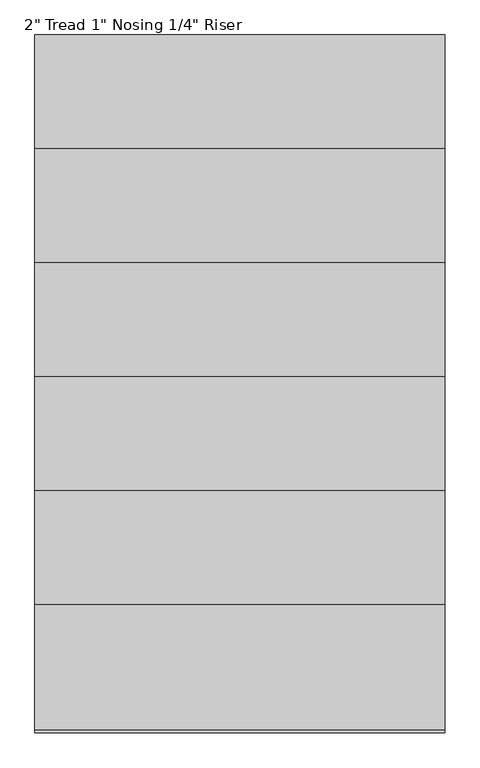
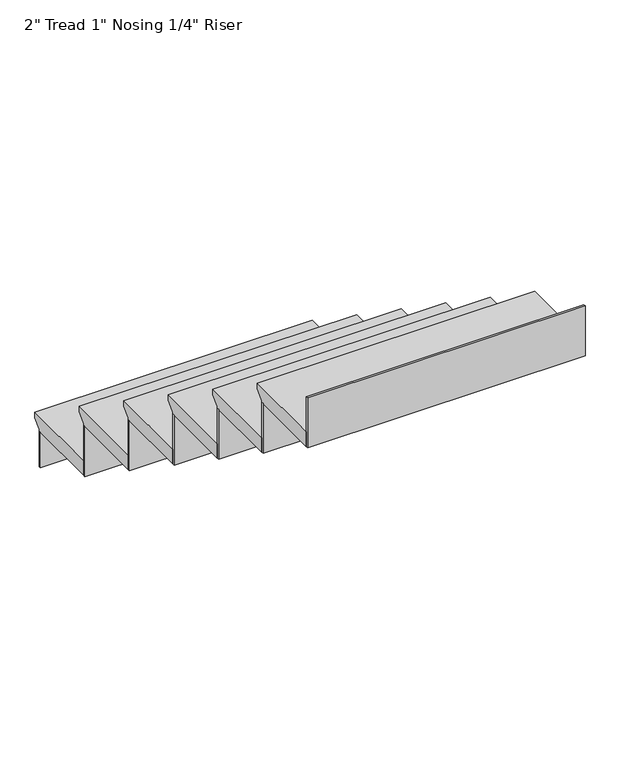
"""IFC4 building model written with IfcOpenShell, lengths in millimetres: stair flight geometry."""

from ifc_helpers import new_model, si_unit, frame, origin, place, context, project, spatial, polyline, outline, extrude, source, transform, mapped, element, save


def stair_flight_161c1767(model_context):
    return source(origin(), model_context, "Body", "SweptSolid", [
        extrude(outline(polyline([(2690.5687869, 3831.7714286), (2969.9687869, 3831.7714286), (2969.9687869, 3812.7214286), (2944.5687869, 3787.3214286), (2944.5687869, 3780.9714286), (2690.5687869, 3780.9714286), (2690.5687869, 3831.7714286)])), frame((-9148.2754876, 0.0, 0.0), z_axis=(1.0, 0.0, 0.0), x_axis=(0.0, 1.0, 0.0)), (0.0, 0.0, 1.0), 914.4),
        extrude(outline(polyline([(-9148.2754876, 2938.2187869), (-9148.2754876, 2944.5687869), (-8233.8754876, 2944.5687869), (-8233.8754876, 2938.2187869), (-9148.2754876, 2938.2187869)])), frame((0.0, 0.0, 3657.6), z_axis=(0.0, 0.0, 1.0), x_axis=(1.0, 0.0, 0.0)), (0.0, 0.0, 1.0), 123.3714286),
        extrude(outline(polyline([(-9148.2754876, 2684.2187869), (-9148.2754876, 2690.5687869), (-8233.8754876, 2690.5687869), (-8233.8754876, 2684.2187869), (-9148.2754876, 2684.2187869)])), frame((0.0, 0.0, 3780.9714286), z_axis=(0.0, 0.0, 1.0), x_axis=(1.0, 0.0, 0.0)), (0.0, 0.0, 1.0), 174.1714286),
        extrude(outline(polyline([(2436.5687869, 4005.9428571), (2715.9687869, 4005.9428571), (2715.9687869, 3986.8928571), (2690.5687869, 3961.4928571), (2690.5687869, 3955.1428571), (2436.5687869, 3955.1428571), (2436.5687869, 4005.9428571)])), frame((-9148.2754876, 0.0, 0.0), z_axis=(1.0, 0.0, 0.0), x_axis=(0.0, 1.0, 0.0)), (0.0, 0.0, 1.0), 914.4),
        extrude(outline(polyline([(-9148.2754876, 2430.2187869), (-9148.2754876, 2436.5687869), (-8233.8754876, 2436.5687869), (-8233.8754876, 2430.2187869), (-9148.2754876, 2430.2187869)])), frame((0.0, 0.0, 3955.1428571), z_axis=(0.0, 0.0, 1.0), x_axis=(1.0, 0.0, 0.0)), (0.0, 0.0, 1.0), 174.1714286),
        extrude(outline(polyline([(2182.5687869, 4180.1142857), (2461.9687869, 4180.1142857), (2461.9687869, 4161.0642857), (2436.5687869, 4135.6642857), (2436.5687869, 4129.3142857), (2182.5687869, 4129.3142857), (2182.5687869, 4180.1142857)])), frame((-9148.2754876, 0.0, 0.0), z_axis=(1.0, 0.0, 0.0), x_axis=(0.0, 1.0, 0.0)), (0.0, 0.0, 1.0), 914.4),
        extrude(outline(polyline([(-9148.2754876, 2176.2187869), (-9148.2754876, 2182.5687869), (-8233.8754876, 2182.5687869), (-8233.8754876, 2176.2187869), (-9148.2754876, 2176.2187869)])), frame((0.0, 0.0, 4129.3142857), z_axis=(0.0, 0.0, 1.0), x_axis=(1.0, 0.0, 0.0)), (0.0, 0.0, 1.0), 174.1714286),
        extrude(outline(polyline([(1928.5687869, 4354.2857143), (2207.9687869, 4354.2857143), (2207.9687869, 4335.2357143), (2182.5687869, 4309.8357143), (2182.5687869, 4303.4857143), (1928.5687869, 4303.4857143), (1928.5687869, 4354.2857143)])), frame((-9148.2754876, 0.0, 0.0), z_axis=(1.0, 0.0, 0.0), x_axis=(0.0, 1.0, 0.0)), (0.0, 0.0, 1.0), 914.4),
        extrude(outline(polyline([(-9148.2754876, 1922.2187869), (-9148.2754876, 1928.5687869), (-8233.8754876, 1928.5687869), (-8233.8754876, 1922.2187869), (-9148.2754876, 1922.2187869)])), frame((0.0, 0.0, 4303.4857143), z_axis=(0.0, 0.0, 1.0), x_axis=(1.0, 0.0, 0.0)), (0.0, 0.0, 1.0), 174.1714286),
        extrude(outline(polyline([(1674.5687869, 4528.4571429), (1953.9687869, 4528.4571429), (1953.9687869, 4509.4071429), (1928.5687869, 4484.0071429), (1928.5687869, 4477.6571429), (1674.5687869, 4477.6571429), (1674.5687869, 4528.4571429)])), frame((-9148.2754876, 0.0, 0.0), z_axis=(1.0, 0.0, 0.0), x_axis=(0.0, 1.0, 0.0)), (0.0, 0.0, 1.0), 914.4),
        extrude(outline(polyline([(-9148.2754876, 1668.2187869), (-9148.2754876, 1674.5687869), (-8233.8754876, 1674.5687869), (-8233.8754876, 1668.2187869), (-9148.2754876, 1668.2187869)])), frame((0.0, 0.0, 4477.6571429), z_axis=(0.0, 0.0, 1.0), x_axis=(1.0, 0.0, 0.0)), (0.0, 0.0, 1.0), 174.1714286),
        extrude(outline(polyline([(1420.5687869, 4702.6285714), (1699.9687869, 4702.6285714), (1699.9687869, 4683.5785714), (1674.5687869, 4658.1785714), (1674.5687869, 4651.8285714), (1420.5687869, 4651.8285714), (1420.5687869, 4702.6285714)])), frame((-9148.2754876, 0.0, 0.0), z_axis=(1.0, 0.0, 0.0), x_axis=(0.0, 1.0, 0.0)), (0.0, 0.0, 1.0), 914.4),
        extrude(outline(polyline([(-9148.2754876, 1414.2187869), (-9148.2754876, 1420.5687869), (-8233.8754876, 1420.5687869), (-8233.8754876, 1414.2187869), (-9148.2754876, 1414.2187869)])), frame((0.0, 0.0, 4651.8285714), z_axis=(0.0, 0.0, 1.0), x_axis=(1.0, 0.0, 0.0)), (0.0, 0.0, 1.0), 174.1714286),
    ])


if __name__ == "__main__":
    model = new_model("IFC4")
    model_context = context("Model", 3, world=origin())
    ifc_project = project(units=[si_unit("LENGTHUNIT", "METRE", prefix="MILLI")], contexts=[model_context])
    site = spatial("IfcSite", under=ifc_project)
    building = spatial("IfcBuilding", under=site)
    placement = place(None, origin())
    stair_flight_shape = stair_flight_161c1767(model_context)
    element("IfcStairFlight", 1, ObjectType="2\" Tread 1\" Nosing 1/4\" Riser", at=placement, inside=building, context=model_context, shape_type="MappedRepresentation", body=[
        mapped(stair_flight_shape, transform((0.0, 0.0, 0.0), x_axis=(1.0, 0.0, 0.0), y_axis=(0.0, 1.0, 0.0), z_axis=(0.0, 0.0, 1.0))),
    ])
    save(model, "model.ifc")
